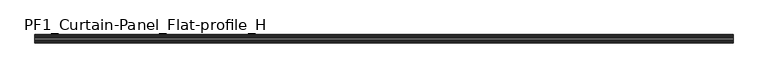
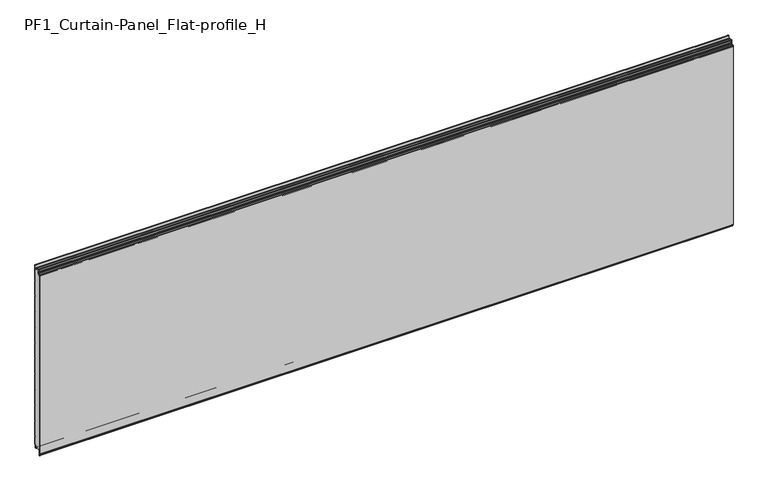
"""IFC4 building model written with IfcOpenShell, lengths in millimetres: plate geometry, PF1_Curtain-Panel_Flat-profile_H."""

import ifcopenshell
import ifcopenshell.guid

model = None  # the IFC model being written
_history = None  # IfcOwnerHistory: only IFC2X3 demands one
_inside = {}  # id of a spatial element -> (the spatial element, [elements in it])
_under = {}  # id of a project, library or spatial element -> (it, [spatial elements below it])
_declared = {}  # id of a project -> (the project, [libraries it declares])
_typed = {}  # id of a type object -> (the type object, [elements of that type])
_made_of = {}  # id of a material, layer set ... -> (it, [elements and type objects made of it])


def new_model(schema):
    """Start an empty IFC model of exactly this schema.

    Asked for "IFC4X3", IfcOpenShell would pick the latest addendum, in which some entities
    have other attributes; the version numbers below select the first issue.
    IFC2X3 requires an IfcOwnerHistory on every rooted entity: one is made here for all.
    """
    global model, _history
    if schema == "IFC4X3":
        model = ifcopenshell.file(schema_version=(4, 3, 0, 0))
    else:
        model = ifcopenshell.file(schema=schema)
    _inside.clear()
    _under.clear()
    _declared.clear()
    _typed.clear()
    _made_of.clear()
    _history = None
    if model.schema == "IFC2X3":
        org = make("IfcOrganization", Name="unknown")
        user = make(
            "IfcPersonAndOrganization",
            ThePerson=make("IfcPerson", FamilyName="unknown"),
            TheOrganization=org,
        )
        app = make(
            "IfcApplication",
            ApplicationDeveloper=org,
            Version="unknown",
            ApplicationFullName="unknown",
            ApplicationIdentifier="unknown",
        )
        _history = make(
            "IfcOwnerHistory",
            OwningUser=user,
            OwningApplication=app,
            ChangeAction="ADDED",
            CreationDate=0,
        )
    return model


def make(cls, **values):
    """One entity of the class cls with the attributes given. An attribute that is None is left unset."""
    return model.create_entity(
        cls, **{name: value for name, value in values.items() if value is not None}
    )


def rooted(cls, **values):
    """An entity with a GlobalId (a new one), such as an element, a storey or a relation."""
    return make(cls, GlobalId=ifcopenshell.guid.new(), OwnerHistory=_history, **values)


def si_unit(unit_type, name, prefix=None):
    """IfcSIUnit, for example si_unit("LENGTHUNIT", "METRE", prefix="MILLI")."""
    return make("IfcSIUnit", UnitType=unit_type, Prefix=prefix, Name=name)


def assignment(units):
    """IfcUnitAssignment: the units of a project."""
    return None if units is None else make("IfcUnitAssignment", Units=units)


def point(xyz):
    """IfcCartesianPoint."""
    return None if xyz is None else make("IfcCartesianPoint", Coordinates=xyz)


def direction(xyz):
    """IfcDirection."""
    return None if xyz is None else make("IfcDirection", DirectionRatios=xyz)


def frame(location, z_axis=None, x_axis=None):
    """IfcAxis2Placement3D, a coordinate frame: its origin and axes. An axis left out is left unset."""
    return make(
        "IfcAxis2Placement3D",
        Location=point(location),
        Axis=direction(z_axis),
        RefDirection=direction(x_axis),
    )


def frame_2d(location, x_axis=None):
    """IfcAxis2Placement2D, a coordinate frame in the plane: its origin and x axis."""
    return make(
        "IfcAxis2Placement2D", Location=point(location), RefDirection=direction(x_axis)
    )


def origin():
    """The frame at (0, 0, 0) with its axes left unset."""
    return frame((0.0, 0.0, 0.0))


def place(relative_to, where):
    """IfcLocalPlacement: puts the frame where relative to a parent placement (None: the world)."""
    return make(
        "IfcLocalPlacement", PlacementRelTo=relative_to, RelativePlacement=where
    )


def context(
    kind, dimensions, precision=None, world=None, true_north=None, identifier=None
):
    """IfcGeometricRepresentationContext, for example the 3D "Model" context."""
    return make(
        "IfcGeometricRepresentationContext",
        ContextIdentifier=identifier,
        ContextType=kind,
        CoordinateSpaceDimension=dimensions,
        Precision=precision,
        WorldCoordinateSystem=world,
        TrueNorth=true_north,
    )


def project(units=None, contexts=None):
    """IfcProject with its units and contexts."""
    return rooted(
        "IfcProject",
        Name="project",
        RepresentationContexts=contexts,
        UnitsInContext=assignment(units),
    )


def spatial(cls, under=None, at=None, **own):
    """A site, building, storey or space (cls), placed at a placement, below another one or the project."""
    s = rooted(cls, ObjectPlacement=at, **own)
    if under is not None:
        _under.setdefault(under.id(), (under, []))[1].append(s)
    return s


def polyline(points):
    """IfcPolyline through the points."""
    return make("IfcPolyline", Points=[point(p) for p in points])


def circle_curve(where, radius):
    """IfcCircle in the frame where."""
    return make("IfcCircle", Position=where, Radius=radius)


def trimmed(basis, trim1, trim2, sense, master):
    """IfcTrimmedCurve: the piece of a basis curve between two trims."""
    return make(
        "IfcTrimmedCurve",
        BasisCurve=basis,
        Trim1=trim1,
        Trim2=trim2,
        SenseAgreement=sense,
        MasterRepresentation=master,
    )


def segment(curve, same_sense, transition):
    """IfcCompositeCurveSegment."""
    return make(
        "IfcCompositeCurveSegment",
        Transition=transition,
        SameSense=same_sense,
        ParentCurve=curve,
    )


def composite_curve(segments, self_intersect=None):
    """IfcCompositeCurve: segments joined end to end."""
    return make("IfcCompositeCurve", Segments=segments, SelfIntersect=self_intersect)


def outline(outer, holes=None, kind="AREA"):
    """IfcArbitraryClosedProfileDef: a profile drawn as a closed curve; with holes, ...WithVoids."""
    if holes is None:
        return make("IfcArbitraryClosedProfileDef", ProfileType=kind, OuterCurve=outer)
    return make(
        "IfcArbitraryProfileDefWithVoids",
        ProfileType=kind,
        OuterCurve=outer,
        InnerCurves=holes,
    )


def extrude(swept, where, along, depth):
    """IfcExtrudedAreaSolid: the profile swept, set in the frame where, extruded along a direction by depth."""
    return make(
        "IfcExtrudedAreaSolid",
        SweptArea=swept,
        Position=where,
        ExtrudedDirection=direction(along),
        Depth=depth,
    )


def shape(context_of_items, identifier, shape_type, items):
    """IfcShapeRepresentation: the items that make up one representation, for example the "Body"."""
    return make(
        "IfcShapeRepresentation",
        ContextOfItems=context_of_items,
        RepresentationIdentifier=identifier,
        RepresentationType=shape_type,
        Items=items,
    )


def source(mapping_origin, context_of_items, identifier, shape_type, items):
    """IfcRepresentationMap: a shape defined once, which mapped items show again and again."""
    return make(
        "IfcRepresentationMap",
        MappingOrigin=mapping_origin,
        MappedRepresentation=shape(context_of_items, identifier, shape_type, items),
    )


def transform(
    local_origin,
    x_axis=None,
    y_axis=None,
    z_axis=None,
    scale=None,
    scale2=None,
    scale3=None,
    uniform=True,
):
    """IfcCartesianTransformationOperator3D, or its non-uniform kind. x_axis, y_axis, z_axis: its Axis1, 2, 3."""
    if uniform:
        return make(
            "IfcCartesianTransformationOperator3D",
            Axis1=direction(x_axis),
            Axis2=direction(y_axis),
            LocalOrigin=point(local_origin),
            Scale=scale,
            Axis3=direction(z_axis),
        )
    return make(
        "IfcCartesianTransformationOperator3DnonUniform",
        Axis1=direction(x_axis),
        Axis2=direction(y_axis),
        LocalOrigin=point(local_origin),
        Scale=scale,
        Axis3=direction(z_axis),
        Scale2=scale2,
        Scale3=scale3,
    )


def mapped(mapping_source, mapping_target):
    """IfcMappedItem: shows the shape of a source again, moved by a transform."""
    return make(
        "IfcMappedItem", MappingSource=mapping_source, MappingTarget=mapping_target
    )


def made_of(thing, what):
    """Note that an element or type object is made of a material, layer set ...; save() writes the relation."""
    if what is not None:
        _made_of.setdefault(what.id(), (what, []))[1].append(thing)
    return thing


def element(
    cls,
    number,
    at=None,
    inside=None,
    cuts=None,
    type_object=None,
    material=None,
    context=None,
    identifier="Body",
    shape_type=None,
    held_by="IfcProductDefinitionShape",
    body=None,
    shapes=None,
    **own,
):
    """One element of the class cls, such as IfcWall. Its Tag is "e" and its number.

    at: its placement. inside: the storey or other place that contains it. cuts: it is an
    opening in that element (IfcRelVoidsElement). A single representation is given by context,
    identifier, shape_type and body (its items); several are given by shapes. held_by: the class
    of the entity that holds the representations. save() writes the other relations.
    """
    e = rooted(cls, Tag="e%d" % number, ObjectPlacement=at, **own)
    if body is not None:
        shapes = [shape(context, identifier, shape_type, body)]
    if shapes is not None:
        e.Representation = make(held_by, Representations=shapes)
    if inside is not None:
        _inside.setdefault(inside.id(), (inside, []))[1].append(e)
    if cuts is not None:
        rooted(
            "IfcRelVoidsElement", RelatingBuildingElement=cuts, RelatedOpeningElement=e
        )
    if type_object is not None:
        _typed.setdefault(type_object.id(), (type_object, []))[1].append(e)
    return made_of(e, material)


def aggregate(whole, parts):
    """IfcRelAggregates: a whole, such as a stair, and the parts it consists of."""
    return rooted("IfcRelAggregates", RelatingObject=whole, RelatedObjects=parts)


def save(model, path):
    """Write the relations noted so far, then the file.

    IfcRelAggregates (storeys below a building ...), IfcRelContainedInSpatialStructure (elements
    in a storey), IfcRelDefinesByType, IfcRelAssociatesMaterial and IfcRelDeclares: one each for
    every whole, place, type object, material and project.
    """
    for whole, parts in _under.values():
        aggregate(whole, parts)
    for where, things in _inside.values():
        rooted(
            "IfcRelContainedInSpatialStructure",
            RelatedElements=things,
            RelatingStructure=where,
        )
    for kind, things in _typed.values():
        rooted("IfcRelDefinesByType", RelatedObjects=things, RelatingType=kind)
    for what, things in _made_of.values():
        rooted("IfcRelAssociatesMaterial", RelatedObjects=things, RelatingMaterial=what)
    for by, libraries in _declared.values():
        rooted("IfcRelDeclares", RelatingContext=by, RelatedDefinitions=libraries)
    model.write(path)


def pf1_curtain_panel_flat_profile_h_5a4dd673(model_context):
    return source(origin(), model_context, "Body", "SweptSolid", [
        extrude(outline(composite_curve([segment(polyline([(-15.878557, 0.0), (-20.0, 0.0), (-20.0, 0.8), (-15.878557, 0.8)]), True, "CONTINUOUS"), segment(trimmed(circle_curve(frame_2d((-15.878557, -2.0)), 2.8), [point((-15.878557, 0.8))], [point((-13.1503208, -1.370137))], False, "CARTESIAN"), True, "CONTINUOUS"), segment(polyline([(-13.1503208, -1.370137), (-11.728236, -7.529863)]), True, "CONTINUOUS"), segment(trimmed(circle_curve(frame_2d((-9.0, -6.9)), 2.8), [point((-11.728236, -7.529863))], [point((-6.2, -6.9))], True, "CARTESIAN"), True, "CONTINUOUS"), segment(polyline([(-6.2, -6.9), (-6.2, 8.6)]), True, "CONTINUOUS"), segment(trimmed(circle_curve(frame_2d((-3.4, 8.6)), 2.8), [point((-6.2, 8.6))], [point((-3.4, 11.4))], False, "CARTESIAN"), True, "CONTINUOUS"), segment(polyline([(-3.4, 11.4), (-2.0, 11.4)]), True, "CONTINUOUS"), segment(trimmed(circle_curve(frame_2d((-2.0, 12.6)), 1.2), [point((-2.0, 11.4))], [point((-0.8, 12.6))], True, "CARTESIAN"), True, "CONTINUOUS"), segment(polyline([(-0.8, 12.6), (-0.8, 57.6856412), (-2.482606, 60.6), (-0.8, 63.5143588), (-0.8, 157.6856412), (-2.482606, 160.6), (-0.8, 163.5143588), (-0.8, 257.6856412), (-2.482606, 260.6), (-0.8, 263.5143588), (-0.8, 357.6856412), (-2.482606, 360.6), (-0.8, 363.5143588), (-0.8, 457.6856412), (-2.482606, 460.6), (-0.8, 463.5143588), (-0.8, 557.6856412), (-2.482606, 560.6), (-0.8, 563.5143588), (-0.8, 657.6856412), (-2.482606, 660.6), (-0.8, 663.5143588), (-0.8, 757.6856412), (-2.482606, 760.6), (-0.8, 763.5143588), (-0.8, 857.6856412), (-2.482606, 860.6), (-0.8, 863.5143588), (-0.8, 957.6856412), (-2.482606, 960.6), (-0.8, 963.5143588), (-0.8, 1057.6856412), (-2.482606, 1060.6), (-0.8, 1063.5143588), (-0.8, 1158.268846)]), True, "CONTINUOUS"), segment(trimmed(circle_curve(frame_2d((-2.5, 1158.268846)), 1.7), [point((-0.8, 1158.268846))], [point((-4.2, 1158.268846))], True, "CARTESIAN"), True, "CONTINUOUS"), segment(polyline([(-4.2, 1158.268846), (-4.2, 1141.268846)]), True, "CONTINUOUS"), segment(trimmed(circle_curve(frame_2d((-9.0, 1141.268846)), 4.8), [point((-4.2, 1141.268846))], [point((-13.7270771, 1140.4353344))], False, "CARTESIAN"), True, "CONTINUOUS"), segment(polyline([(-13.7270771, 1140.4353344), (-14.8636953, 1146.8814129)]), True, "CONTINUOUS"), segment(trimmed(circle_curve(frame_2d((-16.6363492, 1146.568846)), 1.8), [point((-14.8636953, 1146.8814129))], [point((-16.6363492, 1148.368846))], True, "CARTESIAN"), True, "CONTINUOUS"), segment(polyline([(-16.6363492, 1148.368846), (-20.0, 1148.368846), (-20.0, 1149.168846), (-16.6363492, 1149.168846)]), True, "CONTINUOUS"), segment(trimmed(circle_curve(frame_2d((-16.6363492, 1146.568846)), 2.6), [point((-16.6363492, 1149.168846))], [point((-14.0758491, 1147.0203315))], False, "CARTESIAN"), True, "CONTINUOUS"), segment(polyline([(-14.0758491, 1147.0203315), (-12.939231, 1140.574253)]), True, "CONTINUOUS"), segment(trimmed(circle_curve(frame_2d((-9.0, 1141.268846)), 4.0), [point((-12.939231, 1140.574253))], [point((-5.0, 1141.268846))], True, "CARTESIAN"), True, "CONTINUOUS"), segment(polyline([(-5.0, 1141.268846), (-5.0, 1158.268846)]), True, "CONTINUOUS"), segment(trimmed(circle_curve(frame_2d((-2.5, 1158.268846)), 2.5), [point((-5.0, 1158.268846))], [point((0.0, 1158.268846))], False, "CARTESIAN"), True, "CONTINUOUS"), segment(polyline([(0.0, 1158.268846), (0.0, 1063.2999995), (-1.5588455, 1060.6), (0.0, 1057.9000005), (0.0, 963.2999995), (-1.5588455, 960.6), (0.0, 957.9000005), (0.0, 863.2999995), (-1.5588455, 860.6), (0.0, 857.9000005), (0.0, 763.2999995), (-1.5588455, 760.6), (0.0, 757.9000005), (0.0, 663.2999995), (-1.5588455, 660.6), (0.0, 657.9000005), (0.0, 563.2999995), (-1.5588455, 560.6), (0.0, 557.9000005), (0.0, 463.2999995), (-1.5588455, 460.6), (0.0, 457.9000005), (0.0, 363.2999995), (-1.5588455, 360.6), (0.0, 357.9000005), (0.0, 263.2999995), (-1.5588455, 260.6), (0.0, 257.9000005), (0.0, 163.2999995), (-1.5588455, 160.6), (0.0, 157.9000005), (0.0, 63.2999995), (-1.5588455, 60.6), (0.0, 57.9000005), (0.0, 12.6)]), True, "CONTINUOUS"), segment(trimmed(circle_curve(frame_2d((-2.0, 12.6)), 2.0), [point((0.0, 12.6))], [point((-2.0, 10.6))], False, "CARTESIAN"), True, "CONTINUOUS"), segment(polyline([(-2.0, 10.6), (-3.4, 10.6)]), True, "CONTINUOUS"), segment(trimmed(circle_curve(frame_2d((-3.4, 8.6)), 2.0), [point((-3.4, 10.6))], [point((-5.4, 8.6))], True, "CARTESIAN"), True, "CONTINUOUS"), segment(polyline([(-5.4, 8.6), (-5.4, -6.9)]), True, "CONTINUOUS"), segment(trimmed(circle_curve(frame_2d((-9.0, -6.9)), 3.6), [point((-5.4, -6.9))], [point((-12.5077322, -7.7098239))], False, "CARTESIAN"), True, "CONTINUOUS"), segment(polyline([(-12.5077322, -7.7098239), (-13.929817, -1.5500979)]), True, "CONTINUOUS"), segment(trimmed(circle_curve(frame_2d((-15.878557, -2.0)), 2.0), [point((-13.929817, -1.5500979))], [point((-15.878557, 0.0))], True, "CARTESIAN"), True, "CONTINUOUS")], self_intersect=False)), frame((-2100.0119739, 0.0, 0.0), z_axis=(1.0, 0.0, 0.0), x_axis=(0.0, 1.0, 0.0)), (0.0, 0.0, 1.0), 4200.0239479),
        extrude(outline(composite_curve([segment(polyline([(-40.0, 0.0), (-43.5, 0.0)]), True, "CONTINUOUS"), segment(trimmed(circle_curve(frame_2d((-43.5, -2.0)), 2.0), [point((-43.5, 0.0))], [point((-45.5, -2.0))], True, "CARTESIAN"), True, "CONTINUOUS"), segment(polyline([(-45.5, -2.0), (-45.5, -33.0)]), True, "CONTINUOUS"), segment(trimmed(circle_curve(frame_2d((-46.5, -33.0)), 1.0), [point((-45.5, -33.0))], [point((-47.5, -33.0))], False, "CARTESIAN"), True, "CONTINUOUS"), segment(polyline([(-47.5, -33.0), (-47.5, -26.9)]), True, "CONTINUOUS"), segment(trimmed(circle_curve(frame_2d((-48.4, -26.9)), 0.9), [point((-47.5, -26.9))], [point((-48.4, -26.0))], True, "CARTESIAN"), True, "CONTINUOUS"), segment(trimmed(circle_curve(frame_2d((-48.4, -24.4)), 1.6), [point((-48.4, -26.0))], [point((-50.0, -24.4))], False, "CARTESIAN"), True, "CONTINUOUS"), segment(polyline([(-50.0, -24.4), (-50.0, 1123.168846)]), True, "CONTINUOUS"), segment(trimmed(circle_curve(frame_2d((-49.0, 1123.168846)), 1.0), [point((-50.0, 1123.168846))], [point((-48.0, 1123.168846))], False, "CARTESIAN"), True, "CONTINUOUS"), segment(polyline([(-48.0, 1123.168846), (-48.0, 1117.168846)]), True, "CONTINUOUS"), segment(trimmed(circle_curve(frame_2d((-46.5, 1117.168846)), 1.5), [point((-48.0, 1117.168846))], [point((-45.0, 1117.168846))], True, "CARTESIAN"), True, "CONTINUOUS"), segment(polyline([(-45.0, 1117.168846), (-45.0, 1117.9964664)]), True, "CONTINUOUS"), segment(trimmed(circle_curve(frame_2d((-38.8276204, 1117.9964664)), 6.1723796), [point((-45.0, 1117.9964664))], [point((-38.8276204, 1124.168846))], False, "CARTESIAN"), True, "CONTINUOUS"), segment(polyline([(-38.8276204, 1124.168846), (-38.0, 1124.168846)]), True, "CONTINUOUS"), segment(trimmed(circle_curve(frame_2d((-38.0, 1125.168846)), 1.0), [point((-38.0, 1124.168846))], [point((-37.0, 1125.168846))], True, "CARTESIAN"), True, "CONTINUOUS"), segment(polyline([(-37.0, 1125.168846), (-37.0, 1131.6688472), (-35.4999999, 1133.168846), (-37.0, 1134.6688448), (-37.0, 1146.568846)]), True, "CONTINUOUS"), segment(trimmed(circle_curve(frame_2d((-34.4, 1146.568846)), 2.6), [point((-37.0, 1146.568846))], [point((-34.4, 1149.168846))], False, "CARTESIAN"), True, "CONTINUOUS"), segment(polyline([(-34.4, 1149.168846), (-33.0, 1149.168846), (-33.0, 1148.368846), (-34.4, 1148.368846)]), True, "CONTINUOUS"), segment(trimmed(circle_curve(frame_2d((-34.4, 1146.568846)), 1.8), [point((-34.4, 1148.368846))], [point((-36.2, 1146.568846))], True, "CARTESIAN"), True, "CONTINUOUS"), segment(polyline([(-36.2, 1146.568846), (-36.2, 1135.0002158), (-34.3686285, 1133.168846), (-36.2, 1131.3374762), (-36.2, 1125.168846)]), True, "CONTINUOUS"), segment(trimmed(circle_curve(frame_2d((-38.0, 1125.168846)), 1.8), [point((-36.2, 1125.168846))], [point((-38.0, 1123.368846))], False, "CARTESIAN"), True, "CONTINUOUS"), segment(polyline([(-38.0, 1123.368846), (-38.8276204, 1123.368846)]), True, "CONTINUOUS"), segment(trimmed(circle_curve(frame_2d((-38.8276204, 1117.9964664)), 5.3723796), [point((-38.8276204, 1123.368846))], [point((-44.2, 1117.9964664))], True, "CARTESIAN"), True, "CONTINUOUS"), segment(polyline([(-44.2, 1117.9964664), (-44.2, 1117.168846)]), True, "CONTINUOUS"), segment(trimmed(circle_curve(frame_2d((-46.4, 1117.168846)), 2.2), [point((-44.2, 1117.168846))], [point((-48.6, 1117.168846))], False, "CARTESIAN"), True, "CONTINUOUS"), segment(polyline([(-48.6, 1117.168846), (-48.6, 1123.0579973)]), True, "CONTINUOUS"), segment(trimmed(circle_curve(frame_2d((-48.9, 1123.0579973)), 0.3), [point((-48.6, 1123.0579973))], [point((-49.2, 1123.0579973))], True, "CARTESIAN"), True, "CONTINUOUS"), segment(polyline([(-49.2, 1123.0579973), (-49.2, -24.4)]), True, "CONTINUOUS"), segment(trimmed(circle_curve(frame_2d((-48.4, -24.4)), 0.8), [point((-49.2, -24.4))], [point((-48.4, -25.2))], True, "CARTESIAN"), True, "CONTINUOUS"), segment(trimmed(circle_curve(frame_2d((-48.6133333, -26.9)), 1.7133333), [point((-48.4, -25.2))], [point((-46.9, -26.9))], False, "CARTESIAN"), True, "CONTINUOUS"), segment(polyline([(-46.9, -26.9), (-46.9, -32.8700312)]), True, "CONTINUOUS"), segment(trimmed(circle_curve(frame_2d((-46.6, -32.8700312)), 0.3), [point((-46.9, -32.8700312))], [point((-46.3, -32.8700312))], True, "CARTESIAN"), True, "CONTINUOUS"), segment(polyline([(-46.3, -32.8700312), (-46.3, -2.0)]), True, "CONTINUOUS"), segment(trimmed(circle_curve(frame_2d((-43.5, -2.0)), 2.8), [point((-46.3, -2.0))], [point((-43.5, 0.8))], False, "CARTESIAN"), True, "CONTINUOUS"), segment(polyline([(-43.5, 0.8), (-40.0, 0.8), (-40.0, 0.0)]), True, "CONTINUOUS")], self_intersect=False)), frame((-2100.0119739, 0.0, 0.0), z_axis=(1.0, 0.0, 0.0), x_axis=(0.0, 1.0, 0.0)), (0.0, 0.0, 1.0), 4200.0239479),
        extrude(outline(composite_curve([segment(polyline([(-40.0, 0.8), (-43.5, 0.8)]), True, "CONTINUOUS"), segment(trimmed(circle_curve(frame_2d((-43.5, -2.0)), 2.8), [point((-43.5, 0.8))], [point((-46.3, -2.0))], True, "CARTESIAN"), True, "CONTINUOUS"), segment(polyline([(-46.3, -2.0), (-46.3, -32.8700312)]), True, "CONTINUOUS"), segment(trimmed(circle_curve(frame_2d((-46.6, -32.8700312)), 0.3), [point((-46.3, -32.8700312))], [point((-46.9, -32.8700312))], False, "CARTESIAN"), True, "CONTINUOUS"), segment(polyline([(-46.9, -32.8700312), (-46.9, -26.9)]), True, "CONTINUOUS"), segment(trimmed(circle_curve(frame_2d((-48.6133333, -26.9)), 1.7133333), [point((-46.9, -26.9))], [point((-48.4, -25.2))], True, "CARTESIAN"), True, "CONTINUOUS"), segment(trimmed(circle_curve(frame_2d((-48.4, -24.4)), 0.8), [point((-48.4, -25.2))], [point((-49.2, -24.4))], False, "CARTESIAN"), True, "CONTINUOUS"), segment(polyline([(-49.2, -24.4), (-49.2, 1123.0579973)]), True, "CONTINUOUS"), segment(trimmed(circle_curve(frame_2d((-48.9, 1123.0579973)), 0.3), [point((-49.2, 1123.0579973))], [point((-48.6, 1123.0579973))], False, "CARTESIAN"), True, "CONTINUOUS"), segment(polyline([(-48.6, 1123.0579973), (-48.6, 1117.168846)]), True, "CONTINUOUS"), segment(trimmed(circle_curve(frame_2d((-46.4, 1117.168846)), 2.2), [point((-48.6, 1117.168846))], [point((-44.2, 1117.168846))], True, "CARTESIAN"), True, "CONTINUOUS"), segment(polyline([(-44.2, 1117.168846), (-44.2, 1117.9964664)]), True, "CONTINUOUS"), segment(trimmed(circle_curve(frame_2d((-38.8276204, 1117.9964664)), 5.3723796), [point((-44.2, 1117.9964664))], [point((-38.8276204, 1123.368846))], False, "CARTESIAN"), True, "CONTINUOUS"), segment(polyline([(-38.8276204, 1123.368846), (-38.0, 1123.368846)]), True, "CONTINUOUS"), segment(trimmed(circle_curve(frame_2d((-38.0, 1125.168846)), 1.8), [point((-38.0, 1123.368846))], [point((-36.2, 1125.168846))], True, "CARTESIAN"), True, "CONTINUOUS"), segment(polyline([(-36.2, 1125.168846), (-36.2, 1131.3374762), (-34.3686285, 1133.168846), (-36.2, 1135.0002158), (-36.2, 1146.568846)]), True, "CONTINUOUS"), segment(trimmed(circle_curve(frame_2d((-34.4, 1146.568846)), 1.8), [point((-36.2, 1146.568846))], [point((-34.4, 1148.368846))], False, "CARTESIAN"), True, "CONTINUOUS"), segment(polyline([(-34.4, 1148.368846), (-33.0, 1148.368846), (-33.0, 1149.168846), (-20.0, 1149.168846), (-20.0, 1148.368846), (-16.6363492, 1148.368846)]), True, "CONTINUOUS"), segment(trimmed(circle_curve(frame_2d((-16.6363492, 1146.568846)), 1.8), [point((-16.6363492, 1148.368846))], [point((-14.8636953, 1146.8814129))], False, "CARTESIAN"), True, "CONTINUOUS"), segment(polyline([(-14.8636953, 1146.8814129), (-13.7270772, 1140.4353344)]), True, "CONTINUOUS"), segment(trimmed(circle_curve(frame_2d((-9.0, 1141.268846)), 4.8), [point((-13.7270772, 1140.4353344))], [point((-4.2, 1141.268846))], True, "CARTESIAN"), True, "CONTINUOUS"), segment(polyline([(-4.2, 1141.268846), (-4.2, 1158.268846)]), True, "CONTINUOUS"), segment(trimmed(circle_curve(frame_2d((-2.5, 1158.268846)), 1.7), [point((-4.2, 1158.268846))], [point((-0.8, 1158.268846))], False, "CARTESIAN"), True, "CONTINUOUS"), segment(polyline([(-0.8, 1158.268846), (-0.8, 1063.5143588), (-2.482606, 1060.6), (-0.8, 1057.6856412), (-0.8, 963.5143588), (-2.482606, 960.6), (-0.8, 957.6856412), (-0.8, 863.5143588), (-2.482606, 860.6), (-0.8, 857.6856412), (-0.8, 763.5143588), (-2.482606, 760.6), (-0.8, 757.6856412), (-0.8, 663.5143588), (-2.482606, 660.6), (-0.8, 657.6856412), (-0.8, 563.5143588), (-2.482606, 560.6), (-0.8, 557.6856412), (-0.8, 463.5143588), (-2.482606, 460.6), (-0.8, 457.6856412), (-0.8, 363.5143588), (-2.482606, 360.6), (-0.8, 357.6856412), (-0.8, 263.5143588), (-2.482606, 260.6), (-0.8, 257.6856412), (-0.8, 163.5143588), (-2.482606, 160.6), (-0.8, 157.6856412), (-0.8, 63.5143588), (-2.482606, 60.6), (-0.8, 57.6856412), (-0.8, 12.6)]), True, "CONTINUOUS"), segment(trimmed(circle_curve(frame_2d((-2.0, 12.6)), 1.2), [point((-0.8, 12.6))], [point((-2.0, 11.4))], False, "CARTESIAN"), True, "CONTINUOUS"), segment(polyline([(-2.0, 11.4), (-3.4, 11.4)]), True, "CONTINUOUS"), segment(trimmed(circle_curve(frame_2d((-3.4, 8.6)), 2.8), [point((-3.4, 11.4))], [point((-6.2, 8.6))], True, "CARTESIAN"), True, "CONTINUOUS"), segment(polyline([(-6.2, 8.6), (-6.2, -6.9)]), True, "CONTINUOUS"), segment(trimmed(circle_curve(frame_2d((-9.0, -6.9)), 2.8), [point((-6.2, -6.9))], [point((-11.7282362, -7.529863))], False, "CARTESIAN"), True, "CONTINUOUS"), segment(polyline([(-11.7282362, -7.529863), (-13.1503208, -1.370137)]), True, "CONTINUOUS"), segment(trimmed(circle_curve(frame_2d((-15.878557, -2.0)), 2.8), [point((-13.1503208, -1.370137))], [point((-15.878557, 0.8))], True, "CARTESIAN"), True, "CONTINUOUS"), segment(polyline([(-15.878557, 0.8), (-20.0, 0.8), (-20.0, 0.0), (-40.0, 0.0), (-40.0, 0.8)]), True, "CONTINUOUS")], self_intersect=False)), frame((-2100.0119739, 0.0, 0.0), z_axis=(1.0, 0.0, 0.0), x_axis=(0.0, 1.0, 0.0)), (0.0, 0.0, 1.0), 4200.0239479),
    ])


if __name__ == "__main__":
    model = new_model("IFC4")
    model_context = context("Model", 3, world=origin())
    ifc_project = project(units=[si_unit("LENGTHUNIT", "METRE", prefix="MILLI")], contexts=[model_context])
    site = spatial("IfcSite", under=ifc_project)
    building = spatial("IfcBuilding", under=site)
    placement = place(None, origin())
    pf1_curtain_panel_flat_profile_h_shape = pf1_curtain_panel_flat_profile_h_5a4dd673(model_context)
    element("IfcPlate", 1, ObjectType="PF1_Curtain-Panel_Flat-profile_H", at=placement, inside=building, context=model_context, shape_type="MappedRepresentation", body=[
        mapped(pf1_curtain_panel_flat_profile_h_shape, transform((0.0, 0.0, 0.0), x_axis=(1.0, 0.0, 0.0), y_axis=(0.0, 1.0, 0.0), z_axis=(0.0, 0.0, 1.0))),
    ])
    save(model, "model.ifc")
